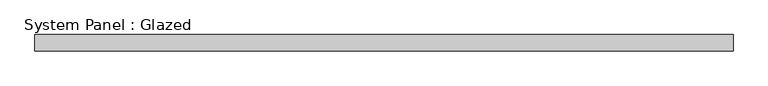
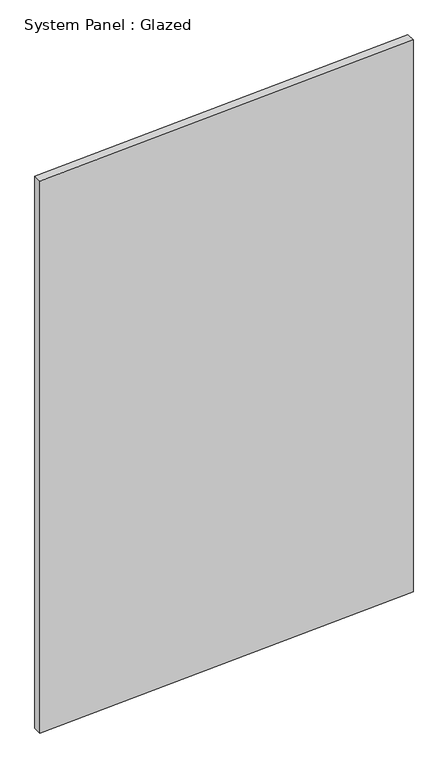
"""IFC4 building model written with IfcOpenShell, lengths in millimetres: plate geometry, System Panel : Glazed."""

from ifc_helpers import new_model, si_unit, frame, origin, place, context, project, spatial, polyline, outline, extrude, source, transform, mapped, element, save


def system_panel_glazed_6bf9a11d(model_context):
    return source(origin(), model_context, "Body", "SweptSolid", [
        extrude(outline(polyline([(0.0, -530.0), (53.0, 530.0), (1711.2919201, 530.0), (1658.2919201, -530.0), (0.0, -530.0)])), frame((0.0, 24.5, 0.0), z_axis=(0.0, 1.0, 0.0), x_axis=(0.0, 0.0, 1.0)), (0.0, 0.0, 1.0), 25.0),
    ])


if __name__ == "__main__":
    model = new_model("IFC4")
    model_context = context("Model", 3, world=origin())
    ifc_project = project(units=[si_unit("LENGTHUNIT", "METRE", prefix="MILLI")], contexts=[model_context])
    site = spatial("IfcSite", under=ifc_project)
    building = spatial("IfcBuilding", under=site)
    placement = place(None, origin())
    system_panel_glazed_shape = system_panel_glazed_6bf9a11d(model_context)
    element("IfcPlate", 1, ObjectType="System Panel : Glazed", at=placement, inside=building, context=model_context, shape_type="MappedRepresentation", body=[
        mapped(system_panel_glazed_shape, transform((0.0, 0.0, 0.0), x_axis=(1.0, 0.0, 0.0), y_axis=(0.0, 1.0, 0.0), z_axis=(0.0, 0.0, 1.0))),
    ])
    save(model, "model.ifc")
